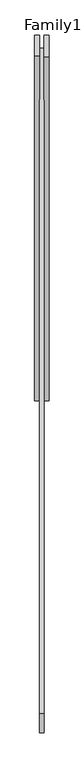
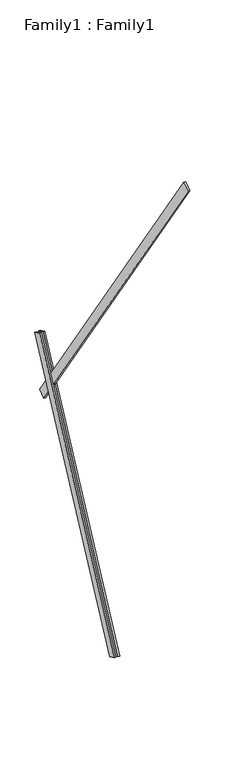
"""IFC4 building model written with IfcOpenShell, lengths in millimetres: proxy geometry, Family1 : Family1."""

from ifc_helpers import new_model, si_unit, frame, origin, place, context, project, spatial, polyline, outline, extrude, source, transform, mapped, element, save


def family1_family1_5a5a6eb4(model_context):
    return source(origin(), model_context, "Body", "SweptSolid", [
        extrude(outline(polyline([(0.0, 0.0), (0.0, -20.0), (-100.0000001, -20.0), (-100.0000001, 0.0), (0.0, 0.0)])), frame((-30.0, 46.3241747, -22.5938096), z_axis=(0.0, 0.4383711467890692, 0.8987940462991711), x_axis=(0.0, 0.8987940462991711, -0.4383711467890692)), (0.0, 0.0, 1.0), 3300.0),
        extrude(outline(polyline([(0.0, 0.0), (0.0, -20.0), (-99.9999999, -20.0), (-99.9999999, 0.0), (0.0, 0.0)])), frame((10.0, 45.270232, -22.0797674), z_axis=(0.0, 0.4383711467890692, 0.8987940462991711), x_axis=(0.0, 0.8987940462991711, -0.4383711467890692)), (0.0, 0.0, 1.0), 3300.0),
        extrude(outline(polyline([(0.0, 0.0), (0.0, -100.0), (-20.0, -100.0), (-20.0, 0.0), (0.0, 0.0)])), frame((10.0, 1437.6205839, 2294.4312124), z_axis=(0.0, -0.5591929034707456, 0.8290375725550426), x_axis=(1.0, 0.0, 0.0)), (0.0, 0.0, 1.0), 5000.0),
    ])


if __name__ == "__main__":
    model = new_model("IFC4")
    model_context = context("Model", 3, world=origin())
    ifc_project = project(units=[si_unit("LENGTHUNIT", "METRE", prefix="MILLI")], contexts=[model_context])
    site = spatial("IfcSite", under=ifc_project)
    building = spatial("IfcBuilding", under=site)
    placement = place(None, origin())
    family1_family1_shape = family1_family1_5a5a6eb4(model_context)
    element("IfcBuildingElementProxy", 1, Name="Family1 : Family1", ObjectType="Family1 : Family1", at=placement, inside=building, context=model_context, shape_type="MappedRepresentation", body=[
        mapped(family1_family1_shape, transform((0.0, 0.0, 0.0), x_axis=(1.0, 0.0, 0.0), y_axis=(0.0, 1.0, 0.0), z_axis=(0.0, 0.0, 1.0))),
    ])
    save(model, "model.ifc")
